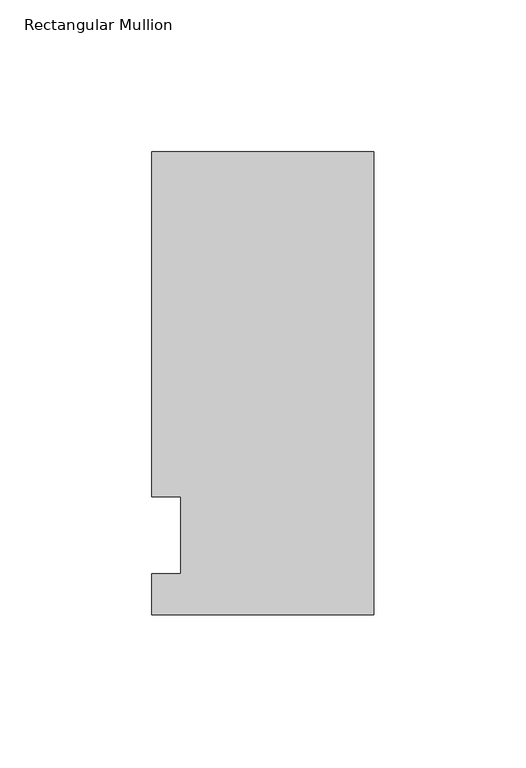
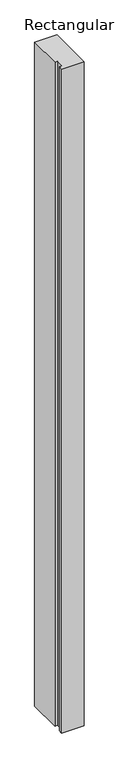
"""IFC4 building model written with IfcOpenShell, lengths in millimetres: member geometry, Rectangular Mullion."""

from ifc_helpers import new_model, si_unit, frame, origin, place, context, project, spatial, polyline, outline, extrude, source, transform, mapped, element, save


def rectangular_mullion_5c455903(model_context):
    return source(origin(), model_context, "Body", "SweptSolid", [
        extrude(outline(polyline([(-36.5125, -26.19375), (-36.5125, -12.7), (-26.9875, -12.7), (-26.9875, 12.7), (-36.5125, 12.7), (-36.5125, 126.20625), (36.5125, 126.20625), (36.5125, -26.19375), (-36.5125, -26.19375)])), frame((0.0, 0.0, -2286.0), z_axis=(0.0, 0.0, 1.0), x_axis=(1.0, 0.0, 0.0)), (0.0, 0.0, 1.0), 2286.0),
    ])


if __name__ == "__main__":
    model = new_model("IFC4")
    model_context = context("Model", 3, world=origin())
    ifc_project = project(units=[si_unit("LENGTHUNIT", "METRE", prefix="MILLI")], contexts=[model_context])
    site = spatial("IfcSite", under=ifc_project)
    building = spatial("IfcBuilding", under=site)
    placement = place(None, origin())
    rectangular_mullion_shape = rectangular_mullion_5c455903(model_context)
    element("IfcMember", 1, ObjectType="Rectangular Mullion", at=placement, inside=building, context=model_context, shape_type="MappedRepresentation", body=[
        mapped(rectangular_mullion_shape, transform((0.0, 0.0, 0.0), x_axis=(1.0, 0.0, 0.0), y_axis=(0.0, 1.0, 0.0), z_axis=(0.0, 0.0, 1.0))),
    ])
    save(model, "model.ifc")
